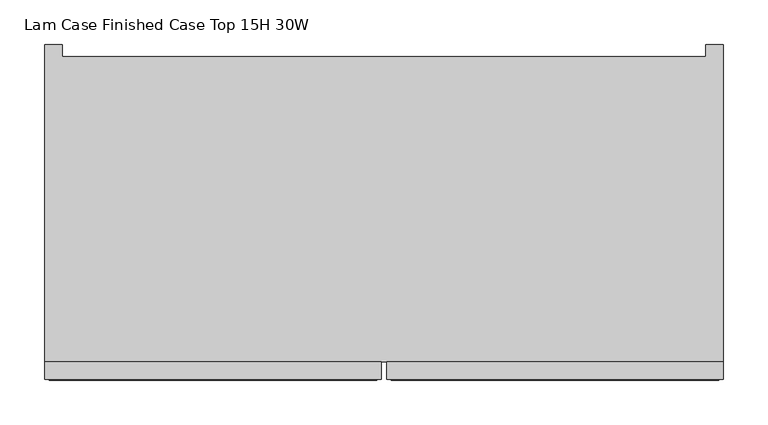
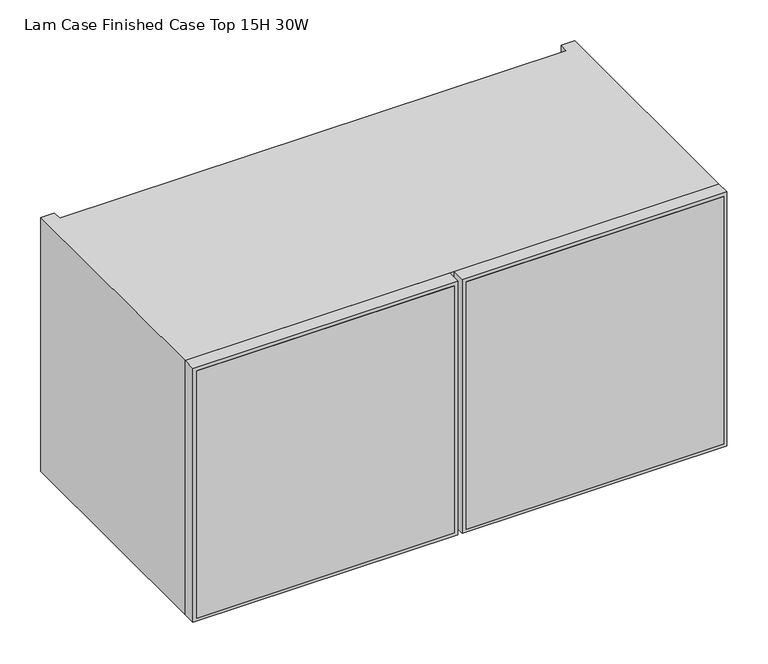
"""IFC4 building model written with IfcOpenShell, lengths in millimetres: furniture geometry, Lam Case Finished Case Top 15H 30W."""

from ifc_helpers import new_model, si_unit, frame, origin, place, context, project, spatial, polyline, outline, extrude, faceted_brep, source, transform, mapped, element, save


def lam_case_finished_case_top_15h_30w_b632fc30(model_context):
    return source(origin(), model_context, "Body", "SolidModel", [
        extrude(outline(polyline([(1703.3875, -75.565), (1322.3875, -75.565), (1322.3875, 299.72), (1703.3875, 299.72), (1703.3875, -75.565)]), holes=[polyline([(1672.3995, 268.732), (1353.3755, 268.732), (1353.3755, -44.577), (1672.3995, -44.577), (1672.3995, 268.732)])]), frame((0.0, -214.8113724, 0.0), z_axis=(0.0, 1.0, 0.0), x_axis=(0.0, 0.0, 1.0)), (0.0, 0.0, 1.0), 19.304),
        extrude(outline(polyline([(1703.3875, -457.2), (1322.3875, -457.2), (1322.3875, -81.915), (1703.3875, -81.915), (1703.3875, -457.2)]), holes=[polyline([(1672.3995, -112.903), (1353.3755, -112.903), (1353.3755, -426.212), (1672.3995, -426.212), (1672.3995, -112.903)])]), frame((0.0, -214.8113724, 0.0), z_axis=(0.0, 1.0, 0.0), x_axis=(0.0, 0.0, 1.0)), (0.0, 0.0, 1.0), 19.304),
        extrude(outline(polyline([(-86.995, -215.8273724), (-452.12, -215.8273724), (-452.12, -203.1273724), (-86.995, -203.1273724), (-86.995, -215.8273724)])), frame((0.0, 0.0, 1327.4675), z_axis=(0.0, 0.0, 1.0), x_axis=(1.0, 0.0, 0.0)), (0.0, 0.0, 1.0), 370.84),
        extrude(outline(polyline([(294.64, -215.8273724), (-70.485, -215.8273724), (-70.485, -203.1273724), (294.64, -203.1273724), (294.64, -215.8273724)])), frame((0.0, 0.0, 1327.4675), z_axis=(0.0, 0.0, 1.0), x_axis=(1.0, 0.0, 0.0)), (0.0, 0.0, 1.0), 370.84),
        extrude(outline(polyline([(280.416, 145.5282676), (280.416, 126.2242676), (-437.896, 126.2242676), (-437.896, 145.5282676), (280.416, 145.5282676)])), frame((0.0, 0.0, 1341.6915), z_axis=(0.0, 0.0, 1.0), x_axis=(1.0, 0.0, 0.0)), (0.0, 0.0, 1.0), 342.392),
        faceted_brep([(-457.2, -195.5073724, 1703.3875), (-457.2, -195.5073724, 1322.3875), (299.72, -195.5073724, 1322.3875), (299.72, -195.5073724, 1703.3875), (-437.896, -195.5073724, 1684.0835), (280.416, -195.5073724, 1684.0835), (280.416, -195.5073724, 1341.6915), (-437.896, -195.5073724, 1341.6915), (280.416, 145.5282676, 1684.0835), (-437.896, 145.5282676, 1684.0835), (-437.896, 145.5282676, 1703.3875), (280.416, 145.5282676, 1703.3875), (280.416, 145.5282676, 1322.3875), (-437.896, 145.5282676, 1322.3875), (-437.896, 145.5282676, 1341.6915), (280.416, 145.5282676, 1341.6915), (299.72, 158.8226276, 1703.3875), (280.416, 158.8226276, 1703.3875), (-437.896, 158.8226276, 1703.3875), (-457.2, 158.8226276, 1703.3875), (-457.2, 158.8226276, 1322.3875), (-437.896, 158.8226276, 1322.3875), (280.416, 158.8226276, 1322.3875), (299.72, 158.8226276, 1322.3875)], [[[0, 1, 2, 3], [4, 5, 6, 7]], [[8, 9, 10, 11]], [[12, 13, 14, 15]], [[0, 3, 16, 17, 11, 10, 18, 19]], [[5, 4, 9, 8]], [[7, 6, 15, 14]], [[2, 1, 20, 21, 13, 12, 22, 23]], [[19, 18, 21, 20]], [[0, 19, 20, 1]], [[21, 18, 10, 9, 4, 7, 14, 13]], [[17, 22, 12, 15, 6, 5, 8, 11]], [[16, 3, 2, 23]], [[17, 16, 23, 22]]]),
    ])


if __name__ == "__main__":
    model = new_model("IFC4")
    model_context = context("Model", 3, world=origin())
    ifc_project = project(units=[si_unit("LENGTHUNIT", "METRE", prefix="MILLI")], contexts=[model_context])
    site = spatial("IfcSite", under=ifc_project)
    building = spatial("IfcBuilding", under=site)
    placement = place(None, origin())
    lam_case_finished_case_top_15h_30w_shape = lam_case_finished_case_top_15h_30w_b632fc30(model_context)
    element("IfcFurniture", 1, ObjectType="Lam Case Finished Case Top 15H 30W", at=placement, inside=building, context=model_context, shape_type="MappedRepresentation", body=[
        mapped(lam_case_finished_case_top_15h_30w_shape, transform((0.0, 0.0, 0.0), x_axis=(1.0, 0.0, 0.0), y_axis=(0.0, 1.0, 0.0), z_axis=(0.0, 0.0, 1.0))),
    ])
    save(model, "model.ifc")
